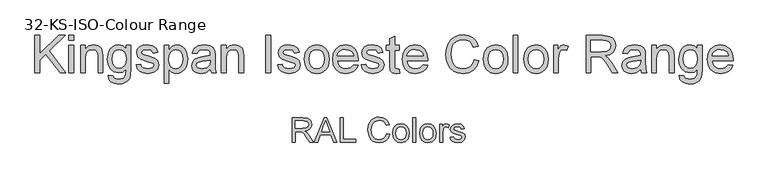
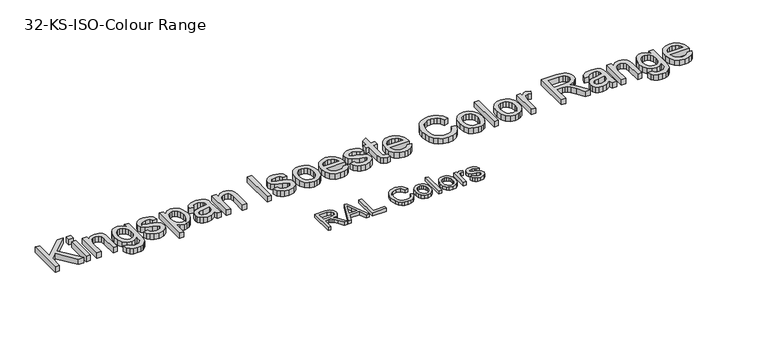
"""IFC4 building model written with IfcOpenShell, lengths in millimetres: proxy geometry, 32-KS-ISO-Colour Range."""

from ifc_helpers import new_model, si_unit, origin, origin_with_axes, place, context, project, spatial, polyline, outline, extrude, source, transform, mapped, element, save


def proxy_32_ks_iso_colour_range_06d69407(model_context):
    return source(origin(), model_context, "Body", "SweptSolid", [
        extrude(outline(polyline([(-1397.4013121, 700.0), (-1397.4013121, 850.6844652), (-1378.5657539, 850.6844652), (-1378.5657539, 776.9241252), (-1301.310535, 850.6844652), (-1274.9701841, 850.6844652), (-1339.8277798, 788.7331372), (-1272.6157393, 700.0), (-1295.6451522, 700.0), (-1353.1818963, 776.0044202), (-1378.5657539, 751.7977849), (-1378.5657539, 700.0), (-1397.4013121, 700.0)])), origin_with_axes(), (0.0, 0.0, 1.0), 25.0),
        extrude(outline(polyline([(-1260.8435155, 831.8489071), (-1260.8435155, 850.6844652), (-1242.0079573, 850.6844652), (-1242.0079573, 831.8489071), (-1260.8435155, 831.8489071)])), origin_with_axes(), (0.0, 0.0, 1.0), 25.0),
        extrude(outline(polyline([(-1260.8435155, 700.0), (-1260.8435155, 810.6589041), (-1242.0079573, 810.6589041), (-1242.0079573, 700.0), (-1260.8435155, 700.0)])), origin_with_axes(), (0.0, 0.0, 1.0), 25.0),
        extrude(outline(polyline([(-1213.7546201, 700.0), (-1213.7546201, 810.6589041), (-1194.9190619, 810.6589041), (-1194.9190619, 795.2078604), (-1180.5164818, 808.5619768), (-1160.8531892, 813.0133489), (-1143.0660947, 809.4264995), (-1130.9259889, 800.0087204), (-1125.2790003, 786.1579633), (-1124.2857189, 767.9478045), (-1124.2857189, 700.0), (-1143.121277, 700.0), (-1143.121277, 765.4094187), (-1145.2917808, 782.0744731), (-1152.9621204, 790.8852469), (-1165.8931725, 794.1777908), (-1176.9250339, 792.3291837), (-1186.3290174, 786.7833627), (-1192.7715508, 776.0687996), (-1194.9190619, 758.7139664), (-1194.9190619, 700.0), (-1213.7546201, 700.0)])), origin_with_axes(), (0.0, 0.0, 1.0), 25.0),
        extrude(outline(polyline([(-1103.095716, 690.5822209), (-1084.2601578, 688.2277762), (-1078.1533167, 678.2949623), (-1059.8695815, 674.1011075), (-1040.592565, 678.8467853), (-1031.3955151, 692.1641135), (-1030.1079281, 714.1266686), (-1043.370074, 703.5316672), (-1059.5384877, 700.0), (-1078.9580585, 704.1110813), (-1093.4388136, 716.4443252), (-1102.4473239, 734.5257252), (-1105.4501607, 755.8812751), (-1100.0606895, 785.0727114), (-1093.4664047, 796.9231102), (-1084.4624929, 805.7292854), (-1073.3570552, 811.192333), (-1060.4581927, 813.0133489), (-1043.6551826, 808.8930706), (-1030.1079281, 796.5322355), (-1030.1079281, 810.6589041), (-1011.27237, 810.6589041), (-1011.27237, 715.11995), (-1012.5599569, 693.0608259), (-1016.4227179, 678.5340856), (-1023.0767835, 668.9001758), (-1032.7382844, 661.5195433), (-1045.1956884, 656.8290479), (-1060.2374635, 655.2655494), (-1077.7624421, 657.4682428), (-1091.5626154, 664.0763232), (-1100.4147759, 675.1081845), (-1103.095716, 690.5822209)]), holes=[polyline([(-1086.6146026, 757.1688621), (-1084.6050472, 739.8922039), (-1078.576381, 728.0142139), (-1069.5126883, 721.1302221), (-1058.3980535, 718.8355582), (-1047.3661922, 721.1164265), (-1038.2565143, 727.9590316), (-1032.1450747, 739.6852702), (-1030.1079281, 756.6170391), (-1032.2048555, 772.9464011), (-1038.4956376, 784.7048294), (-1047.7386727, 791.8095504), (-1058.6923591, 794.1777908), (-1069.448309, 791.8463386), (-1078.4660164, 784.8519822), (-1084.577456, 773.2682979), (-1086.6146026, 757.1688621)])]), origin_with_axes(), (0.0, 0.0, 1.0), 25.0),
        extrude(outline(polyline([(-990.082367, 732.9622268), (-971.2468089, 735.3166715), (-968.2761618, 727.2600558), (-962.5280056, 721.3371557), (-942.5520133, 716.4811134), (-923.3485731, 720.9324855), (-917.0945792, 731.3803342), (-918.6672747, 736.1811942), (-923.3853613, 739.8416201), (-942.7727425, 745.2126972), (-971.1364443, 754.4281412), (-983.5156734, 765.1886895), (-987.7279223, 780.3822159), (-984.3434079, 794.4169141), (-975.1095698, 805.1406742), (-963.1350109, 810.7140864), (-946.929809, 813.0133489), (-924.0107607, 809.3161349), (-909.4426337, 799.3097446), (-902.9679106, 782.4055669), (-921.8034687, 780.0511222), (-928.8851971, 790.4437885), (-945.458281, 794.1777908), (-963.4844988, 790.6093354), (-968.8923641, 782.2952023), (-966.6482839, 776.8137606), (-959.6217378, 772.656694), (-943.3981418, 768.6467803), (-915.7518099, 759.7808242), (-902.9127283, 749.7376457), (-898.259021, 733.366897), (-903.7220687, 715.3406792), (-919.4858122, 702.2624743), (-942.8095307, 697.6455552), (-961.8014387, 699.8712413), (-975.6613928, 706.5482995), (-984.913625, 717.6031535), (-990.082367, 732.9622268)])), origin_with_axes(), (0.0, 0.0, 1.0), 25.0),
        extrude(outline(polyline([(-877.0690181, 657.6199942), (-877.0690181, 810.6589041), (-858.23346, 810.6589041), (-858.23346, 792.191228), (-845.2104373, 807.8078187), (-827.625678, 813.0133489), (-814.8877639, 811.192333), (-803.7501365, 805.7292854), (-794.6818453, 796.9552998), (-788.1519399, 785.2014701), (-782.8912273, 756.1755807), (-784.3765509, 740.0669478), (-788.8325216, 725.6597692), (-796.1165851, 713.6852102), (-806.0861871, 704.8744364), (-817.6974626, 699.4527755), (-829.9065463, 697.6455552), (-846.2956892, 702.4832035), (-858.23346, 714.7152798), (-858.23346, 657.6199942), (-877.0690181, 657.6199942)]), holes=[polyline([(-858.23346, 754.4465353), (-856.1963134, 737.5607517), (-850.0848738, 725.7517397), (-841.0671664, 718.79877), (-830.3112165, 716.4811134), (-819.3805227, 718.8815434), (-810.1328891, 726.0828335), (-803.8283114, 738.3241068), (-801.7267855, 755.8444869), (-803.7777276, 772.6382999), (-809.930554, 784.6128589), (-818.9344658, 791.7865578), (-829.5386643, 794.1777908), (-840.1842496, 791.6348065), (-849.5330508, 784.0058536), (-856.0583577, 771.5300554), (-858.23346, 754.4465353)])]), origin_with_axes(), (0.0, 0.0, 1.0), 25.0),
        extrude(outline(polyline([(-691.0678814, 714.1266686), (-709.3332224, 701.3611634), (-729.5115498, 697.6455552), (-745.2523007, 699.8804384), (-756.8635762, 706.5850877), (-764.0234795, 716.7662219), (-766.410114, 729.4305596), (-762.8048704, 744.3297804), (-753.331909, 755.1455111), (-740.1433395, 761.3259286), (-723.8461671, 764.15862), (-691.178246, 770.6333431), (-691.0678814, 774.8271978), (-692.3646654, 783.2333014), (-696.2550175, 788.7331372), (-704.9554267, 792.8166274), (-717.0771384, 794.1777908), (-736.1334258, 790.5541531), (-745.220111, 777.6966774), (-764.0556692, 780.0511222), (-755.907083, 798.4452219), (-739.499546, 809.2241644), (-714.6491172, 813.0133489), (-691.8220394, 809.6656228), (-678.9277755, 801.2595192), (-673.1520282, 788.4756198), (-672.2323232, 771.9945065), (-672.2323232, 748.5604234), (-671.27583, 715.8373199), (-667.5234337, 700.0), (-686.3589918, 700.0), (-691.0678814, 714.1266686)]), holes=[polyline([(-691.0678814, 751.7977849), (-721.4549342, 746.0220376), (-737.660136, 742.968617), (-744.9993818, 738.0022101), (-747.5745558, 730.7549348), (-741.9643554, 720.5646035), (-725.5016361, 716.4811134), (-706.4453488, 720.9876678), (-694.1580901, 731.895369), (-691.178246, 746.463496), (-691.0678814, 751.7977849)])]), origin_with_axes(), (0.0, 0.0, 1.0), 25.0),
        extrude(outline(polyline([(-646.3334307, 700.0), (-646.3334307, 810.6589041), (-627.4978726, 810.6589041), (-627.4978726, 795.2078604), (-613.0952925, 808.5619768), (-593.4319998, 813.0133489), (-575.6449054, 809.4264995), (-563.5047995, 800.0087204), (-557.8578109, 786.1579633), (-556.8645295, 767.9478045), (-556.8645295, 700.0), (-575.7000877, 700.0), (-575.7000877, 765.4094187), (-577.8705914, 782.0744731), (-585.540931, 790.8852469), (-598.4719832, 794.1777908), (-609.5038445, 792.3291837), (-618.907828, 786.7833627), (-625.3503614, 776.0687996), (-627.4978726, 758.7139664), (-627.4978726, 700.0), (-646.3334307, 700.0)])), origin_with_axes(), (0.0, 0.0, 1.0), 25.0),
        extrude(outline(polyline([(-467.3956283, 700.0), (-467.3956283, 850.6844652), (-448.5600701, 850.6844652), (-448.5600701, 700.0), (-467.3956283, 700.0)])), origin_with_axes(), (0.0, 0.0, 1.0), 25.0),
        extrude(outline(polyline([(-420.3067329, 732.9622268), (-401.4711747, 735.3166715), (-398.5005276, 727.2600558), (-392.7523715, 721.3371557), (-372.7763791, 716.4811134), (-353.572939, 720.9324855), (-347.3189451, 731.3803342), (-348.8916406, 736.1811942), (-353.6097272, 739.8416201), (-372.9971083, 745.2126972), (-401.3608102, 754.4281412), (-413.7400393, 765.1886895), (-417.9522881, 780.3822159), (-414.5677738, 794.4169141), (-405.3339357, 805.1406742), (-393.3593768, 810.7140864), (-377.1541749, 813.0133489), (-354.2351266, 809.3161349), (-339.6669996, 799.3097446), (-333.1922764, 782.4055669), (-352.0278346, 780.0511222), (-359.109563, 790.4437885), (-375.6826469, 794.1777908), (-393.7088647, 790.6093354), (-399.11673, 782.2952023), (-396.8726498, 776.8137606), (-389.8461037, 772.656694), (-373.6225077, 768.6467803), (-345.9761758, 759.7808242), (-333.1370941, 749.7376457), (-328.4833869, 733.366897), (-333.9464345, 715.3406792), (-349.710178, 702.2624743), (-373.0338965, 697.6455552), (-392.0258045, 699.8712413), (-405.8857587, 706.5482995), (-415.1379909, 717.6031535), (-420.3067329, 732.9622268)])), origin_with_axes(), (0.0, 0.0, 1.0), 25.0),
        extrude(outline(polyline([(-312.0022735, 755.3294521), (-307.9279804, 782.0100938), (-295.7051011, 800.7628785), (-280.6035452, 809.9507313), (-262.5221452, 813.0133489), (-242.7346924, 809.2839452), (-226.9295621, 798.095734), (-216.5690854, 780.3316322), (-213.1155932, 756.8745565), (-214.6423035, 737.8458603), (-219.2224343, 723.3605067), (-226.7226285, 712.5125864), (-237.0095288, 704.3961898), (-249.2278096, 699.3332139), (-262.5221452, 697.6455552), (-282.5487213, 701.3611634), (-298.3354574, 712.5079878), (-308.5855695, 730.6445702), (-312.0022735, 755.3294521)]), holes=[polyline([(-293.1667154, 755.3662403), (-290.9870145, 738.3195083), (-284.4479121, 726.174804), (-274.6070687, 718.904536), (-262.5221452, 716.4811134), (-250.4924039, 718.9183316), (-240.6699547, 726.2299863), (-234.1308522, 738.535639), (-231.9511514, 755.9548515), (-234.1446478, 772.5049427), (-240.725137, 784.4841002), (-250.5613818, 791.7543681), (-262.5221452, 794.1777908), (-274.6070687, 791.7635652), (-284.4479121, 784.5208884), (-290.9870145, 772.4037752), (-293.1667154, 755.3662403)])]), origin_with_axes(), (0.0, 0.0, 1.0), 25.0),
        extrude(outline(polyline([(-114.4496421, 732.9622268), (-95.981966, 730.607782), (-102.6360315, 716.6926455), (-113.2540256, 706.2907821), (-127.5968249, 699.806862), (-145.4253061, 697.6455552), (-167.525817, 701.374959), (-184.5311622, 712.5631701), (-195.374484, 730.4836218), (-198.9889246, 754.4097471), (-195.3376958, 779.1406142), (-184.3840094, 797.6358815), (-167.6085904, 809.1689821), (-146.4921639, 813.0133489), (-126.0333264, 809.1781791), (-109.6855703, 797.6726697), (-98.9664086, 779.2141906), (-95.3933548, 754.5201117), (-95.5037194, 749.4433402), (-180.1533665, 749.4433402), (-176.8930123, 735.3442627), (-169.3192417, 724.9791875), (-158.3885479, 718.6056319), (-145.0574241, 716.4811134), (-126.589748, 720.4174507), (-114.4496421, 732.9622268)]), holes=[polyline([(-180.1533665, 768.2788983), (-114.2289129, 768.2788983), (-116.7764957, 778.2301063), (-121.7704938, 785.3486229), (-132.7517714, 791.9704988), (-146.5657403, 794.1777908), (-159.2622677, 792.4165557), (-169.7607001, 787.1328506), (-177.0585592, 778.8968924), (-180.1533665, 768.2788983)])]), origin_with_axes(), (0.0, 0.0, 1.0), 25.0),
        extrude(outline(polyline([(-83.6211309, 732.9622268), (-64.7855728, 735.3166715), (-61.8149257, 727.2600558), (-56.0667695, 721.3371557), (-36.0907771, 716.4811134), (-16.887337, 720.9324855), (-10.6333431, 731.3803342), (-12.2060386, 736.1811942), (-16.9241252, 739.8416201), (-36.3115063, 745.2126972), (-64.6752082, 754.4281412), (-77.0544373, 765.1886895), (-81.2666861, 780.3822159), (-77.8821718, 794.4169141), (-68.6483337, 805.1406742), (-56.6737748, 810.7140864), (-40.4685729, 813.0133489), (-17.5495246, 809.3161349), (-2.9813976, 799.3097446), (3.4933255, 782.4055669), (-15.3422326, 780.0511222), (-22.423961, 790.4437885), (-38.9970449, 794.1777908), (-57.0232627, 790.6093354), (-62.431128, 782.2952023), (-60.1870478, 776.8137606), (-53.1605017, 772.656694), (-36.9369057, 768.6467803), (-9.2905738, 759.7808242), (3.5485078, 749.7376457), (8.2022151, 733.366897), (2.7391675, 715.3406792), (-13.024576, 702.2624743), (-36.3482945, 697.6455552), (-55.3402025, 699.8712413), (-69.2001567, 706.5482995), (-78.4523889, 717.6031535), (-83.6211309, 732.9622268)])), origin_with_axes(), (0.0, 0.0, 1.0), 25.0),
        extrude(outline(polyline([(69.4177791, 715.7085612), (71.7722238, 699.448177), (57.6823434, 697.6455552), (41.9002058, 700.7725522), (34.0275311, 708.9763207), (31.7466628, 730.3502646), (31.7466628, 791.823346), (17.6199942, 791.823346), (17.6199942, 810.6589041), (31.7466628, 810.6589041), (31.7466628, 837.551078), (50.5822209, 848.6243261), (50.5822209, 810.6589041), (69.4177791, 810.6589041), (69.4177791, 791.823346), (50.5822209, 791.823346), (50.5822209, 730.9020876), (51.5755023, 721.1900029), (54.7944698, 717.7503063), (61.2140106, 716.4811134), (69.4177791, 715.7085612)])), origin_with_axes(), (0.0, 0.0, 1.0), 25.0),
        extrude(outline(polyline([(165.7292854, 732.9622268), (184.1969616, 730.607782), (177.542896, 716.6926455), (166.9249019, 706.2907821), (152.5821026, 699.806862), (134.7536214, 697.6455552), (112.6531106, 701.374959), (95.6477653, 712.5631701), (84.8044435, 730.4836218), (81.1900029, 754.4097471), (84.8412317, 779.1406142), (95.7949181, 797.6358815), (112.5703371, 809.1689821), (133.6867636, 813.0133489), (154.1456011, 809.1781791), (170.4933573, 797.6726697), (181.2125189, 779.2141906), (184.7855728, 754.5201117), (184.6752082, 749.4433402), (100.0255611, 749.4433402), (103.2859153, 735.3442627), (110.8596858, 724.9791875), (121.7903796, 718.6056319), (135.1215034, 716.4811134), (153.5891796, 720.4174507), (165.7292854, 732.9622268)]), holes=[polyline([(100.0255611, 768.2788983), (165.9500146, 768.2788983), (163.4024318, 778.2301063), (158.4084337, 785.3486229), (147.4271562, 791.9704988), (133.6131872, 794.1777908), (120.9166599, 792.4165557), (110.4182274, 787.1328506), (103.1203684, 778.8968924), (100.0255611, 768.2788983)])]), origin_with_axes(), (0.0, 0.0, 1.0), 25.0),
        extrude(outline(polyline([(370.7867095, 753.5636185), (389.6222677, 748.7075762), (380.9310555, 726.7588166), (367.2918306, 710.7237602), (349.3759774, 700.9151065), (327.8548807, 697.6455552), (306.0072887, 700.1195616), (288.6570541, 707.5415809), (275.35812, 719.6540956), (265.6644294, 736.1995883), (259.7461278, 755.6513488), (257.7733606, 776.4826668), (260.0036452, 798.454419), (266.694499, 817.4279329), (277.4964341, 832.8008017), (292.0599626, 843.9706188), (309.3320222, 850.7718372), (328.2595509, 853.03891), (348.9115264, 850.1050511), (365.9858495, 841.3034743), (378.9490913, 827.1768057), (387.2678229, 808.2676712), (368.4322648, 803.7795108), (361.9023593, 817.5153048), (352.981221, 826.9376824), (341.558485, 832.3869345), (327.5237869, 834.2033518), (311.3461762, 832.1891979), (298.0564391, 826.1467361), (287.9718739, 816.710563), (281.4097788, 804.5152748), (276.6089188, 776.519455), (278.029863, 759.1186366), (282.2926956, 744.072263), (289.558365, 731.9551498), (299.9878196, 723.3421126), (312.4912089, 718.1963632), (325.9786825, 716.4811134), (341.7010393, 718.8171641), (354.8022368, 725.8253161), (364.693664, 737.431993), (370.7867095, 753.5636185)])), origin_with_axes(), (0.0, 0.0, 1.0), 25.0),
        extrude(outline(polyline([(408.4578258, 755.3294521), (412.5321189, 782.0100938), (424.7549982, 800.7628785), (439.8565541, 809.9507313), (457.9379542, 813.0133489), (477.725407, 809.2839452), (493.5305372, 798.095734), (503.8910139, 780.3316322), (507.3445061, 756.8745565), (505.8177959, 737.8458603), (501.237665, 723.3605067), (493.7374708, 712.5125864), (483.4505705, 704.3961898), (471.2322898, 699.3332139), (457.9379542, 697.6455552), (437.9113781, 701.3611634), (422.124642, 712.5079878), (411.8745299, 730.6445702), (408.4578258, 755.3294521)]), holes=[polyline([(427.293384, 755.3662403), (429.4730848, 738.3195083), (436.0121873, 726.174804), (445.8530306, 718.904536), (457.9379542, 716.4811134), (469.9676954, 718.9183316), (479.7901447, 726.2299863), (486.3292472, 738.535639), (488.508948, 755.9548515), (486.3154516, 772.5049427), (479.7349624, 784.4841002), (469.8987176, 791.7543681), (457.9379542, 794.1777908), (445.8530306, 791.7635652), (436.0121873, 784.5208884), (429.4730848, 772.4037752), (427.293384, 755.3662403)])]), origin_with_axes(), (0.0, 0.0, 1.0), 25.0),
        extrude(outline(polyline([(528.5345091, 700.0), (528.5345091, 850.6844652), (547.3700672, 850.6844652), (547.3700672, 700.0), (528.5345091, 700.0)])), origin_with_axes(), (0.0, 0.0, 1.0), 25.0),
        extrude(outline(polyline([(570.9145149, 755.3294521), (574.988808, 782.0100938), (587.2116873, 800.7628785), (602.3132432, 809.9507313), (620.3946433, 813.0133489), (640.1820961, 809.2839452), (655.9872263, 798.095734), (666.347703, 780.3316322), (669.8011952, 756.8745565), (668.2744849, 737.8458603), (663.6943541, 723.3605067), (656.1941599, 712.5125864), (645.9072596, 704.3961898), (633.6889789, 699.3332139), (620.3946433, 697.6455552), (600.3680671, 701.3611634), (584.581331, 712.5079878), (574.3312189, 730.6445702), (570.9145149, 755.3294521)]), holes=[polyline([(589.7500731, 755.3662403), (591.9297739, 738.3195083), (598.4688763, 726.174804), (608.3097197, 718.904536), (620.3946433, 716.4811134), (632.4243845, 718.9183316), (642.2468338, 726.2299863), (648.7859362, 738.535639), (650.9656371, 755.9548515), (648.7721407, 772.5049427), (642.1916515, 784.4841002), (632.3554066, 791.7543681), (620.3946433, 794.1777908), (608.3097197, 791.7635652), (598.4688763, 784.5208884), (591.9297739, 772.4037752), (589.7500731, 755.3662403)])]), origin_with_axes(), (0.0, 0.0, 1.0), 25.0),
        extrude(outline(polyline([(690.9911981, 700.0), (690.9911981, 810.6589041), (707.4723115, 810.6589041), (707.4723115, 794.2881554), (719.170959, 809.3713172), (730.9431828, 813.0133489), (749.8523174, 807.2008134), (743.5615352, 790.3150298), (730.3177834, 794.1777908), (719.6675997, 790.4621826), (712.8801768, 780.1614867), (709.8267563, 758.1621434), (709.8267563, 700.0), (690.9911981, 700.0)])), origin_with_axes(), (0.0, 0.0, 1.0), 25.0),
        extrude(outline(polyline([(822.8401052, 700.0), (822.8401052, 850.6844652), (887.7712773, 850.6844652), (917.9192069, 846.6193692), (927.1990302, 840.9907747), (934.4003202, 832.2351832), (939.0218378, 821.3780658), (940.5623437, 809.4448936), (938.0101623, 794.6008551), (930.3536183, 782.2952023), (917.3627853, 773.2728964), (898.8077372, 768.2788983), (909.5131033, 760.2222826), (924.7802061, 740.8349015), (949.9065463, 700.0), (928.0175676, 700.0), (908.4094573, 731.2331814), (894.2460005, 751.9081495), (884.2947925, 761.6754165), (875.3368659, 765.2622659), (864.4107707, 765.9244535), (841.6756634, 765.9244535), (841.6756634, 700.0), (822.8401052, 700.0)]), holes=[polyline([(841.6756634, 784.7600117), (883.83494, 784.7600117), (905.3376426, 787.4271562), (917.5513249, 795.9620184), (921.7267855, 808.7459178), (919.7356242, 817.9337706), (913.7621403, 825.3373958), (903.4844371, 830.2210292), (888.5806177, 831.8489071), (841.6756634, 831.8489071), (841.6756634, 784.7600117)])]), origin_with_axes(), (0.0, 0.0, 1.0), 25.0),
        extrude(outline(polyline([(1041.8034687, 714.1266686), (1023.5381277, 701.3611634), (1003.3598002, 697.6455552), (987.6190494, 699.8804384), (976.0077739, 706.5850877), (968.8478706, 716.7662219), (966.4612361, 729.4305596), (970.0664797, 744.3297804), (979.539441, 755.1455111), (992.7280106, 761.3259286), (1009.025183, 764.15862), (1041.6931041, 770.6333431), (1041.8034687, 774.8271978), (1040.5066847, 783.2333014), (1036.6163326, 788.7331372), (1027.9159234, 792.8166274), (1015.7942117, 794.1777908), (996.7379243, 790.5541531), (987.651239, 777.6966774), (968.8156809, 780.0511222), (976.9642671, 798.4452219), (993.3718041, 809.2241644), (1018.2222328, 813.0133489), (1041.0493106, 809.6656228), (1053.9435746, 801.2595192), (1059.7193219, 788.4756198), (1060.6390269, 771.9945065), (1060.6390269, 748.5604234), (1061.5955201, 715.8373199), (1065.3479164, 700.0), (1046.5123583, 700.0), (1041.8034687, 714.1266686)]), holes=[polyline([(1041.8034687, 751.7977849), (1011.4164159, 746.0220376), (995.211214, 742.968617), (987.8719682, 738.0022101), (985.2967943, 730.7549348), (990.9069947, 720.5646035), (1007.369714, 716.4811134), (1026.4260013, 720.9876678), (1038.71326, 731.895369), (1041.6931041, 746.463496), (1041.8034687, 751.7977849)])]), origin_with_axes(), (0.0, 0.0, 1.0), 25.0),
        extrude(outline(polyline([(1086.5379193, 700.0), (1086.5379193, 810.6589041), (1105.3734775, 810.6589041), (1105.3734775, 795.2078604), (1119.7760576, 808.5619768), (1139.4393502, 813.0133489), (1157.2264447, 809.4264995), (1169.3665506, 800.0087204), (1175.0135392, 786.1579633), (1176.0068206, 767.9478045), (1176.0068206, 700.0), (1157.1712624, 700.0), (1157.1712624, 765.4094187), (1155.0007586, 782.0744731), (1147.330419, 790.8852469), (1134.3993669, 794.1777908), (1123.3675056, 792.3291837), (1113.9635221, 786.7833627), (1107.5209886, 776.0687996), (1105.3734775, 758.7139664), (1105.3734775, 700.0), (1086.5379193, 700.0)])), origin_with_axes(), (0.0, 0.0, 1.0), 25.0),
        extrude(outline(polyline([(1197.1968235, 690.5822209), (1216.0323816, 688.2277762), (1222.1392228, 678.2949623), (1240.4229579, 674.1011075), (1259.6999745, 678.8467853), (1268.8970244, 692.1641135), (1270.1846113, 714.1266686), (1256.9224654, 703.5316672), (1240.7540517, 700.0), (1221.3344809, 704.1110813), (1206.8537259, 716.4443252), (1197.8452155, 734.5257252), (1194.8423787, 755.8812751), (1200.23185, 785.0727114), (1206.8261347, 796.9231102), (1215.8300465, 805.7292854), (1226.9354843, 811.192333), (1239.8343467, 813.0133489), (1256.6373569, 808.8930706), (1270.1846113, 796.5322355), (1270.1846113, 810.6589041), (1289.0201695, 810.6589041), (1289.0201695, 715.11995), (1287.7325825, 693.0608259), (1283.8698216, 678.5340856), (1277.215756, 668.9001758), (1267.5542551, 661.5195433), (1255.096851, 656.8290479), (1240.0550759, 655.2655494), (1222.5300974, 657.4682428), (1208.729924, 664.0763232), (1199.8777635, 675.1081845), (1197.1968235, 690.5822209)]), holes=[polyline([(1213.6779369, 757.1688621), (1215.6874923, 739.8922039), (1221.7161585, 728.0142139), (1230.7798511, 721.1302221), (1241.8944859, 718.8355582), (1252.9263472, 721.1164265), (1262.0360251, 727.9590316), (1268.1474648, 739.6852702), (1270.1846113, 756.6170391), (1268.087684, 772.9464011), (1261.7969018, 784.7048294), (1252.5538667, 791.8095504), (1241.6001803, 794.1777908), (1230.8442305, 791.8463386), (1221.8265231, 784.8519822), (1215.7150834, 773.2682979), (1213.6779369, 757.1688621)])]), origin_with_axes(), (0.0, 0.0, 1.0), 25.0),
        extrude(outline(polyline([(1394.7494549, 732.9622268), (1413.2171311, 730.607782), (1406.5630655, 716.6926455), (1395.9450714, 706.2907821), (1381.6022721, 699.806862), (1363.7737909, 697.6455552), (1341.67328, 701.374959), (1324.6679348, 712.5631701), (1313.824613, 730.4836218), (1310.2101724, 754.4097471), (1313.8614012, 779.1406142), (1324.8150876, 797.6358815), (1341.5905066, 809.1689821), (1362.7069331, 813.0133489), (1383.1657706, 809.1781791), (1399.5135267, 797.6726697), (1410.2326884, 779.2141906), (1413.8057423, 754.5201117), (1413.6953777, 749.4433402), (1329.0457306, 749.4433402), (1332.3060847, 735.3442627), (1339.8798553, 724.9791875), (1350.8105491, 718.6056319), (1364.1416729, 716.4811134), (1382.6093491, 720.4174507), (1394.7494549, 732.9622268)]), holes=[polyline([(1329.0457306, 768.2788983), (1394.9701841, 768.2788983), (1392.4226013, 778.2301063), (1387.4286032, 785.3486229), (1376.4473256, 791.9704988), (1362.6333567, 794.1777908), (1349.9368294, 792.4165557), (1339.4383969, 787.1328506), (1332.1405378, 778.8968924), (1329.0457306, 768.2788983)])]), origin_with_axes(), (0.0, 0.0, 1.0), 25.0),
        extrude(outline(polyline([(-361.4711747, 420.0), (-361.4711747, 520.4563101), (-318.1837267, 520.4563101), (-298.085107, 517.7462461), (-287.0976981, 508.1567888), (-282.9896824, 492.9632624), (-284.6911367, 483.0672367), (-289.7954994, 474.8634682), (-298.4560547, 468.8485976), (-310.8260867, 465.5192655), (-303.689176, 460.1481884), (-293.5111075, 447.2232676), (-276.760214, 420.0), (-291.3528665, 420.0), (-304.42494, 440.8221209), (-313.8672446, 454.605433), (-320.5013832, 461.1169443), (-326.4733343, 463.5081773), (-333.7573978, 463.9496357), (-348.914136, 463.9496357), (-348.914136, 420.0), (-361.4711747, 420.0)]), holes=[polyline([(-348.914136, 476.5066745), (-320.8079515, 476.5066745), (-306.4728165, 478.2847708), (-298.3303616, 483.974679), (-295.5467212, 492.4972785), (-300.8564847, 503.5582638), (-317.6441664, 507.8992714), (-348.914136, 507.8992714), (-348.914136, 476.5066745)])]), origin_with_axes(), (0.0, 0.0, 1.0), 15.0),
        extrude(outline(polyline([(-272.713512, 420.0), (-232.6143746, 520.4563101), (-221.9212712, 520.4563101), (-181.8221338, 420.0), (-195.0904111, 420.0), (-206.5928548, 451.3925969), (-247.9673165, 451.3925969), (-259.4452348, 420.0), (-272.713512, 420.0)]), holes=[polyline([(-243.3565288, 463.9496357), (-211.179117, 463.9496357), (-220.2290141, 488.6467803), (-227.2678229, 507.8992714), (-233.5218168, 490.8050213), (-243.3565288, 463.9496357)])]), origin_with_axes(), (0.0, 0.0, 1.0), 15.0),
        extrude(outline(polyline([(-168.4067037, 420.0), (-168.4067037, 520.4563101), (-155.8496649, 520.4563101), (-155.8496649, 432.5570388), (-105.6215098, 432.5570388), (-105.6215098, 420.0), (-168.4067037, 420.0)])), origin_with_axes(), (0.0, 0.0, 1.0), 15.0),
        extrude(outline(polyline([(18.379248, 455.709079), (30.9362868, 452.4717174), (25.1421453, 437.8392111), (16.0493287, 427.1491734), (4.1054266, 420.610071), (-10.2419712, 418.4303702), (-24.8070325, 420.0797078), (-36.3738556, 425.0277206), (-45.2398117, 433.1027304), (-51.7022721, 444.1330589), (-56.9629846, 470.9884445), (-55.4761282, 485.6362793), (-51.015559, 498.2852886), (-43.814269, 508.5338678), (-34.10525, 515.9804125), (-22.5905435, 520.5145581), (-9.9721911, 522.02594), (3.7957926, 520.0700341), (15.1786746, 514.2023162), (23.8208358, 504.7845372), (29.3666569, 492.1784475), (16.8096182, 489.1863406), (6.5089223, 504.6251216), (-10.4627004, 509.4689012), (-30.107599, 504.0978241), (-41.2053725, 489.6768499), (-44.4059458, 471.01297), (-40.6167613, 449.3815087), (-28.820012, 435.5614084), (-11.49277, 430.9874089), (-1.0111988, 432.544776), (7.7229329, 437.2168774), (14.3172176, 444.954662), (18.379248, 455.709079)])), origin_with_axes(), (0.0, 0.0, 1.0), 15.0),
        extrude(outline(polyline([(43.4933255, 456.8863014), (46.2095209, 474.6733958), (54.3581071, 487.1752523), (64.4258111, 493.3004875), (76.4800778, 495.3422326), (89.671713, 492.8559635), (100.2084665, 485.397156), (107.1154509, 473.5544214), (109.4177791, 457.916371), (105.3465517, 435.5736711), (93.4884887, 422.9307932), (76.4800778, 418.4303702), (63.129027, 420.9074423), (52.6045363, 428.3386586), (45.7711282, 440.4297135), (43.4933255, 456.8863014)]), holes=[polyline([(56.0503643, 456.9108268), (57.5034982, 445.5463389), (61.8628998, 437.4498693), (68.4234621, 432.603024), (76.4800778, 430.9874089), (84.4999053, 432.6122211), (91.0482048, 437.4866575), (95.4076064, 445.690426), (96.8607403, 457.3032343), (95.3984094, 468.3366285), (91.0114166, 476.3227335), (84.45392, 481.1695787), (76.4800778, 482.7851938), (68.4234621, 481.1757101), (61.8628998, 476.3472589), (57.5034982, 468.2691835), (56.0503643, 456.9108268)])]), origin_with_axes(), (0.0, 0.0, 1.0), 15.0),
        extrude(outline(polyline([(123.5444477, 420.0), (123.5444477, 520.4563101), (136.1014865, 520.4563101), (136.1014865, 420.0), (123.5444477, 420.0)])), origin_with_axes(), (0.0, 0.0, 1.0), 15.0),
        extrude(outline(polyline([(151.7977849, 456.8863014), (154.5139803, 474.6733958), (162.6625665, 487.1752523), (172.7302704, 493.3004875), (184.7845372, 495.3422326), (197.9761724, 492.8559635), (208.5129258, 485.397156), (215.4199103, 473.5544214), (217.7222385, 457.916371), (213.651011, 435.5736711), (201.7929481, 422.9307932), (184.7845372, 418.4303702), (171.4334864, 420.9074423), (160.9089957, 428.3386586), (154.0755876, 440.4297135), (151.7977849, 456.8863014)]), holes=[polyline([(164.3548237, 456.9108268), (165.8079576, 445.5463389), (170.1673592, 437.4498693), (176.7279215, 432.603024), (184.7845372, 430.9874089), (192.8043646, 432.6122211), (199.3526642, 437.4866575), (203.7120658, 445.690426), (205.1651997, 457.3032343), (203.7028688, 468.3366285), (199.315876, 476.3227335), (192.7583794, 481.1695787), (184.7845372, 482.7851938), (176.7279215, 481.1757101), (170.1673592, 476.3472589), (165.8079576, 468.2691835), (164.3548237, 456.9108268)])]), origin_with_axes(), (0.0, 0.0, 1.0), 15.0),
        extrude(outline(polyline([(231.8489071, 420.0), (231.8489071, 493.7726028), (242.836316, 493.7726028), (242.836316, 482.8587702), (250.6354143, 492.9142114), (258.4835635, 495.3422326), (271.0896532, 491.4672089), (266.8957985, 480.2100199), (258.0666306, 482.7851938), (250.9665081, 480.3081217), (246.4415595, 473.4409912), (244.4059458, 458.7747623), (244.4059458, 420.0), (231.8489071, 420.0)])), origin_with_axes(), (0.0, 0.0, 1.0), 15.0),
        extrude(outline(polyline([(274.2289129, 441.9748178), (286.7859517, 443.5444477), (292.5984872, 434.2247705), (305.9158154, 430.9874089), (318.7181089, 433.9549904), (322.8874381, 440.9202228), (318.6935834, 446.5610801), (305.7686626, 450.1417981), (286.8595281, 456.2854275), (278.6067087, 463.4591264), (275.7985428, 473.588144), (278.0548857, 482.9446094), (284.2107777, 490.0937828), (292.193817, 493.809391), (302.9972849, 495.3422326), (318.2766505, 492.8774232), (327.9887351, 486.2064964), (332.3052172, 474.9370446), (319.7481785, 473.3674148), (315.0270262, 480.295859), (303.9783036, 482.7851938), (291.9608251, 480.4062236), (288.3555815, 474.8634682), (289.851635, 471.2091737), (294.535999, 468.437796), (305.3517297, 465.7645202), (323.7826177, 459.8538828), (332.3420054, 453.1584305), (335.4444769, 442.244598), (331.8024452, 430.2271195), (321.2932828, 421.5083162), (305.7441372, 418.4303702), (293.0828652, 419.9141609), (283.8428957, 424.365533), (277.6747409, 431.7354356), (274.2289129, 441.9748178)])), origin_with_axes(), (0.0, 0.0, 1.0), 15.0),
    ])


if __name__ == "__main__":
    model = new_model("IFC4")
    model_context = context("Model", 3, world=origin())
    ifc_project = project(units=[si_unit("LENGTHUNIT", "METRE", prefix="MILLI")], contexts=[model_context])
    site = spatial("IfcSite", under=ifc_project)
    building = spatial("IfcBuilding", under=site)
    placement = place(None, origin())
    proxy_32_ks_iso_colour_range_shape = proxy_32_ks_iso_colour_range_06d69407(model_context)
    element("IfcBuildingElementProxy", 1, Name="32-KS-ISO-Colour Range", ObjectType="32-KS-ISO-Colour Range", at=placement, inside=building, context=model_context, shape_type="MappedRepresentation", body=[
        mapped(proxy_32_ks_iso_colour_range_shape, transform((0.0, 0.0, 0.0), x_axis=(1.0, 0.0, 0.0), y_axis=(0.0, 1.0, 0.0), z_axis=(0.0, 0.0, 1.0))),
    ])
    save(model, "model.ifc")
